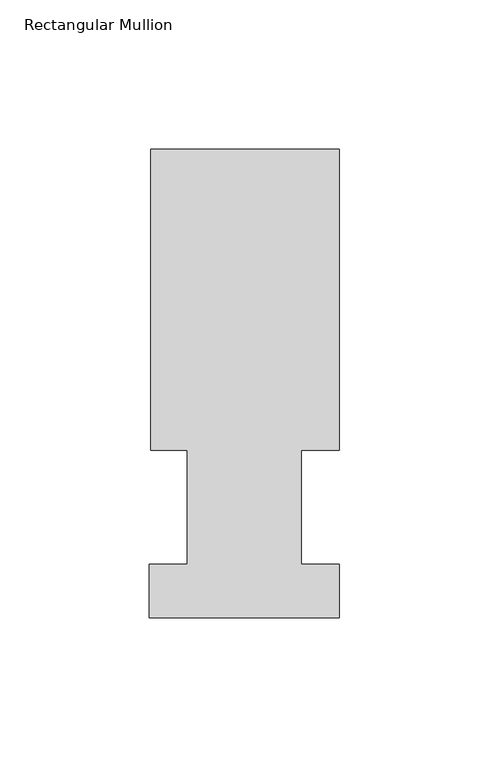
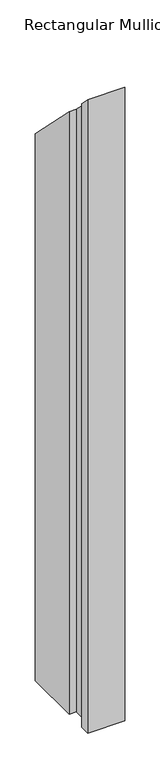
"""IFC4 building model written with IfcOpenShell, lengths in millimetres: member geometry, Rectangular Mullion."""

from ifc_helpers import new_model, si_unit, origin, place, context, project, spatial, faceted_brep, source, transform, mapped, element, save


def rectangular_mullion_7d0e6811(model_context):
    return source(origin(), model_context, "Body", "Brep", [
        faceted_brep([(-63.0936, 56.6539062, -1148.765117), (-63.0936, 157.3395062, -1148.765117), (0.0, 157.3395062, -1148.765117), (0.0, 56.6539063, -1148.765117), (-12.6746, 56.6539062, -1148.765117), (-12.6746, 18.5539062, -1148.765117), (0.0, 18.5539062, -1148.765117), (0.0, 0.5199062, -1148.765117), (-63.5, 0.5199062, -1148.765117), (-63.5, 18.5539062, -1148.765117), (-50.8, 18.5539062, -1148.765117), (-50.8, 56.6539062, -1148.765117), (-50.8, 56.6539062, -56.6539062), (-63.0936, 56.6539062, -56.6539062), (-50.8, 18.5539062, -18.5539062), (-63.5, 18.5539062, -18.5539062), (-63.5, 0.5199062, -0.5199062), (0.0, 0.5199062, -0.5199062), (0.0, 18.5539062, -18.5539062), (-12.6746, 18.5539062, -18.5539062), (-12.6746, 56.6539062, -56.6539063), (0.0, 56.6539063, -56.6539063), (0.0, 157.3395062, -157.3395062), (-63.0936, 157.3395062, -157.3395062)], [[[0, 1, 2, 3, 4, 5, 6, 7, 8, 9, 10, 11]], [[12, 13, 0, 11]], [[14, 12, 11, 10]], [[15, 14, 10, 9]], [[16, 15, 9, 8]], [[17, 16, 8, 7]], [[18, 17, 7, 6]], [[19, 18, 6, 5]], [[20, 19, 5, 4]], [[21, 20, 4, 3]], [[22, 21, 3, 2]], [[23, 22, 2, 1]], [[13, 23, 1, 0]], [[13, 12, 14, 15, 16, 17, 18, 19, 20, 21, 22, 23]]]),
    ])


if __name__ == "__main__":
    model = new_model("IFC4")
    model_context = context("Model", 3, world=origin())
    ifc_project = project(units=[si_unit("LENGTHUNIT", "METRE", prefix="MILLI")], contexts=[model_context])
    site = spatial("IfcSite", under=ifc_project)
    building = spatial("IfcBuilding", under=site)
    placement = place(None, origin())
    rectangular_mullion_shape = rectangular_mullion_7d0e6811(model_context)
    element("IfcMember", 1, ObjectType="Rectangular Mullion", at=placement, inside=building, context=model_context, shape_type="MappedRepresentation", body=[
        mapped(rectangular_mullion_shape, transform((0.0, 0.0, 0.0), x_axis=(1.0, 0.0, 0.0), y_axis=(0.0, 1.0, 0.0), z_axis=(0.0, 0.0, 1.0))),
    ])
    save(model, "model.ifc")
